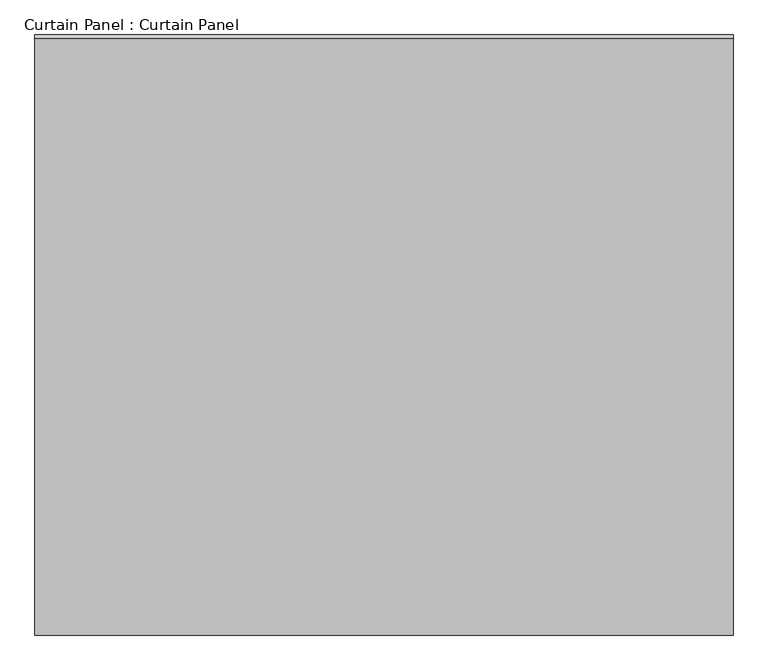
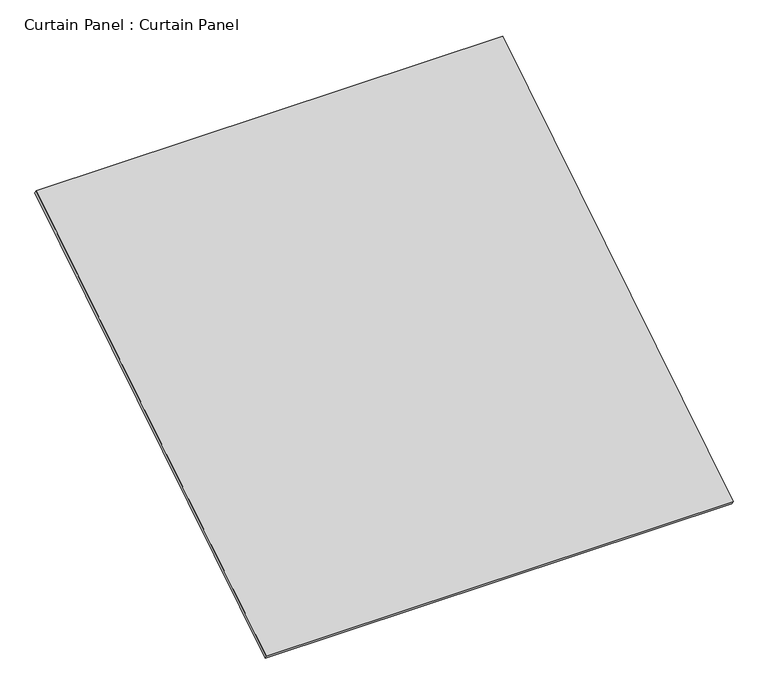
"""IFC4 building model written with IfcOpenShell, lengths in millimetres: plate geometry, Curtain Panel : Curtain Panel."""

import ifcopenshell
import ifcopenshell.guid

model = None  # the IFC model being written
_history = None  # IfcOwnerHistory: only IFC2X3 demands one
_inside = {}  # id of a spatial element -> (the spatial element, [elements in it])
_under = {}  # id of a project, library or spatial element -> (it, [spatial elements below it])
_declared = {}  # id of a project -> (the project, [libraries it declares])
_typed = {}  # id of a type object -> (the type object, [elements of that type])
_made_of = {}  # id of a material, layer set ... -> (it, [elements and type objects made of it])


def new_model(schema):
    """Start an empty IFC model of exactly this schema.

    Asked for "IFC4X3", IfcOpenShell would pick the latest addendum, in which some entities
    have other attributes; the version numbers below select the first issue.
    IFC2X3 requires an IfcOwnerHistory on every rooted entity: one is made here for all.
    """
    global model, _history
    if schema == "IFC4X3":
        model = ifcopenshell.file(schema_version=(4, 3, 0, 0))
    else:
        model = ifcopenshell.file(schema=schema)
    _inside.clear()
    _under.clear()
    _declared.clear()
    _typed.clear()
    _made_of.clear()
    _history = None
    if model.schema == "IFC2X3":
        org = make("IfcOrganization", Name="unknown")
        user = make(
            "IfcPersonAndOrganization",
            ThePerson=make("IfcPerson", FamilyName="unknown"),
            TheOrganization=org,
        )
        app = make(
            "IfcApplication",
            ApplicationDeveloper=org,
            Version="unknown",
            ApplicationFullName="unknown",
            ApplicationIdentifier="unknown",
        )
        _history = make(
            "IfcOwnerHistory",
            OwningUser=user,
            OwningApplication=app,
            ChangeAction="ADDED",
            CreationDate=0,
        )
    return model


def make(cls, **values):
    """One entity of the class cls with the attributes given. An attribute that is None is left unset."""
    return model.create_entity(
        cls, **{name: value for name, value in values.items() if value is not None}
    )


def rooted(cls, **values):
    """An entity with a GlobalId (a new one), such as an element, a storey or a relation."""
    return make(cls, GlobalId=ifcopenshell.guid.new(), OwnerHistory=_history, **values)


def si_unit(unit_type, name, prefix=None):
    """IfcSIUnit, for example si_unit("LENGTHUNIT", "METRE", prefix="MILLI")."""
    return make("IfcSIUnit", UnitType=unit_type, Prefix=prefix, Name=name)


def assignment(units):
    """IfcUnitAssignment: the units of a project."""
    return None if units is None else make("IfcUnitAssignment", Units=units)


def point(xyz):
    """IfcCartesianPoint."""
    return None if xyz is None else make("IfcCartesianPoint", Coordinates=xyz)


def direction(xyz):
    """IfcDirection."""
    return None if xyz is None else make("IfcDirection", DirectionRatios=xyz)


def frame(location, z_axis=None, x_axis=None):
    """IfcAxis2Placement3D, a coordinate frame: its origin and axes. An axis left out is left unset."""
    return make(
        "IfcAxis2Placement3D",
        Location=point(location),
        Axis=direction(z_axis),
        RefDirection=direction(x_axis),
    )


def origin():
    """The frame at (0, 0, 0) with its axes left unset."""
    return frame((0.0, 0.0, 0.0))


def place(relative_to, where):
    """IfcLocalPlacement: puts the frame where relative to a parent placement (None: the world)."""
    return make(
        "IfcLocalPlacement", PlacementRelTo=relative_to, RelativePlacement=where
    )


def context(
    kind, dimensions, precision=None, world=None, true_north=None, identifier=None
):
    """IfcGeometricRepresentationContext, for example the 3D "Model" context."""
    return make(
        "IfcGeometricRepresentationContext",
        ContextIdentifier=identifier,
        ContextType=kind,
        CoordinateSpaceDimension=dimensions,
        Precision=precision,
        WorldCoordinateSystem=world,
        TrueNorth=true_north,
    )


def project(units=None, contexts=None):
    """IfcProject with its units and contexts."""
    return rooted(
        "IfcProject",
        Name="project",
        RepresentationContexts=contexts,
        UnitsInContext=assignment(units),
    )


def spatial(cls, under=None, at=None, **own):
    """A site, building, storey or space (cls), placed at a placement, below another one or the project."""
    s = rooted(cls, ObjectPlacement=at, **own)
    if under is not None:
        _under.setdefault(under.id(), (under, []))[1].append(s)
    return s


def polyline(points):
    """IfcPolyline through the points."""
    return make("IfcPolyline", Points=[point(p) for p in points])


def outline(outer, holes=None, kind="AREA"):
    """IfcArbitraryClosedProfileDef: a profile drawn as a closed curve; with holes, ...WithVoids."""
    if holes is None:
        return make("IfcArbitraryClosedProfileDef", ProfileType=kind, OuterCurve=outer)
    return make(
        "IfcArbitraryProfileDefWithVoids",
        ProfileType=kind,
        OuterCurve=outer,
        InnerCurves=holes,
    )


def extrude(swept, where, along, depth):
    """IfcExtrudedAreaSolid: the profile swept, set in the frame where, extruded along a direction by depth."""
    return make(
        "IfcExtrudedAreaSolid",
        SweptArea=swept,
        Position=where,
        ExtrudedDirection=direction(along),
        Depth=depth,
    )


def shape(context_of_items, identifier, shape_type, items):
    """IfcShapeRepresentation: the items that make up one representation, for example the "Body"."""
    return make(
        "IfcShapeRepresentation",
        ContextOfItems=context_of_items,
        RepresentationIdentifier=identifier,
        RepresentationType=shape_type,
        Items=items,
    )


def source(mapping_origin, context_of_items, identifier, shape_type, items):
    """IfcRepresentationMap: a shape defined once, which mapped items show again and again."""
    return make(
        "IfcRepresentationMap",
        MappingOrigin=mapping_origin,
        MappedRepresentation=shape(context_of_items, identifier, shape_type, items),
    )


def transform(
    local_origin,
    x_axis=None,
    y_axis=None,
    z_axis=None,
    scale=None,
    scale2=None,
    scale3=None,
    uniform=True,
):
    """IfcCartesianTransformationOperator3D, or its non-uniform kind. x_axis, y_axis, z_axis: its Axis1, 2, 3."""
    if uniform:
        return make(
            "IfcCartesianTransformationOperator3D",
            Axis1=direction(x_axis),
            Axis2=direction(y_axis),
            LocalOrigin=point(local_origin),
            Scale=scale,
            Axis3=direction(z_axis),
        )
    return make(
        "IfcCartesianTransformationOperator3DnonUniform",
        Axis1=direction(x_axis),
        Axis2=direction(y_axis),
        LocalOrigin=point(local_origin),
        Scale=scale,
        Axis3=direction(z_axis),
        Scale2=scale2,
        Scale3=scale3,
    )


def mapped(mapping_source, mapping_target):
    """IfcMappedItem: shows the shape of a source again, moved by a transform."""
    return make(
        "IfcMappedItem", MappingSource=mapping_source, MappingTarget=mapping_target
    )


def made_of(thing, what):
    """Note that an element or type object is made of a material, layer set ...; save() writes the relation."""
    if what is not None:
        _made_of.setdefault(what.id(), (what, []))[1].append(thing)
    return thing


def element(
    cls,
    number,
    at=None,
    inside=None,
    cuts=None,
    type_object=None,
    material=None,
    context=None,
    identifier="Body",
    shape_type=None,
    held_by="IfcProductDefinitionShape",
    body=None,
    shapes=None,
    **own,
):
    """One element of the class cls, such as IfcWall. Its Tag is "e" and its number.

    at: its placement. inside: the storey or other place that contains it. cuts: it is an
    opening in that element (IfcRelVoidsElement). A single representation is given by context,
    identifier, shape_type and body (its items); several are given by shapes. held_by: the class
    of the entity that holds the representations. save() writes the other relations.
    """
    e = rooted(cls, Tag="e%d" % number, ObjectPlacement=at, **own)
    if body is not None:
        shapes = [shape(context, identifier, shape_type, body)]
    if shapes is not None:
        e.Representation = make(held_by, Representations=shapes)
    if inside is not None:
        _inside.setdefault(inside.id(), (inside, []))[1].append(e)
    if cuts is not None:
        rooted(
            "IfcRelVoidsElement", RelatingBuildingElement=cuts, RelatedOpeningElement=e
        )
    if type_object is not None:
        _typed.setdefault(type_object.id(), (type_object, []))[1].append(e)
    return made_of(e, material)


def aggregate(whole, parts):
    """IfcRelAggregates: a whole, such as a stair, and the parts it consists of."""
    return rooted("IfcRelAggregates", RelatingObject=whole, RelatedObjects=parts)


def save(model, path):
    """Write the relations noted so far, then the file.

    IfcRelAggregates (storeys below a building ...), IfcRelContainedInSpatialStructure (elements
    in a storey), IfcRelDefinesByType, IfcRelAssociatesMaterial and IfcRelDeclares: one each for
    every whole, place, type object, material and project.
    """
    for whole, parts in _under.values():
        aggregate(whole, parts)
    for where, things in _inside.values():
        rooted(
            "IfcRelContainedInSpatialStructure",
            RelatedElements=things,
            RelatingStructure=where,
        )
    for kind, things in _typed.values():
        rooted("IfcRelDefinesByType", RelatedObjects=things, RelatingType=kind)
    for what, things in _made_of.values():
        rooted("IfcRelAssociatesMaterial", RelatedObjects=things, RelatingMaterial=what)
    for by, libraries in _declared.values():
        rooted("IfcRelDeclares", RelatingContext=by, RelatedDefinitions=libraries)
    model.write(path)


def curtain_panel_curtain_panel_d5911b5d(model_context):
    return source(origin(), model_context, "Body", "SweptSolid", [
        extrude(outline(polyline([(-63.5, 0.0), (-63.5, -3013.068527), (-3048.0, -3013.068527), (-3048.0, 0.0), (-63.5, 0.0)])), frame((-117670.6430895, -1344.8078147, 8803.1977221), z_axis=(0.0, -0.5318918435658209, 0.8468122972348432), x_axis=(-1.0, 0.0, 0.0)), (0.0, 0.0, 1.0), 25.4),
    ])


if __name__ == "__main__":
    model = new_model("IFC4")
    model_context = context("Model", 3, world=origin())
    ifc_project = project(units=[si_unit("LENGTHUNIT", "METRE", prefix="MILLI")], contexts=[model_context])
    site = spatial("IfcSite", under=ifc_project)
    building = spatial("IfcBuilding", under=site)
    placement = place(None, origin())
    curtain_panel_curtain_panel_shape = curtain_panel_curtain_panel_d5911b5d(model_context)
    element("IfcPlate", 1, ObjectType="Curtain Panel : Curtain Panel", at=placement, inside=building, context=model_context, shape_type="MappedRepresentation", body=[
        mapped(curtain_panel_curtain_panel_shape, transform((0.0, 0.0, 0.0), x_axis=(1.0, 0.0, 0.0), y_axis=(0.0, 1.0, 0.0), z_axis=(0.0, 0.0, 1.0))),
    ])
    save(model, "model.ifc")
